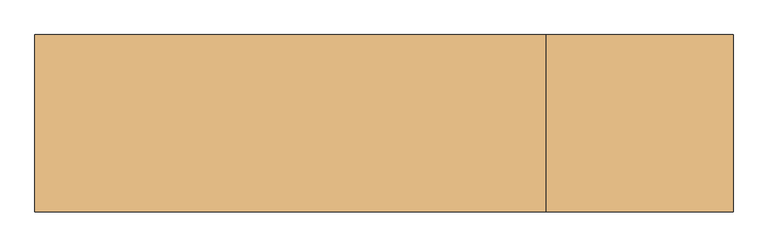
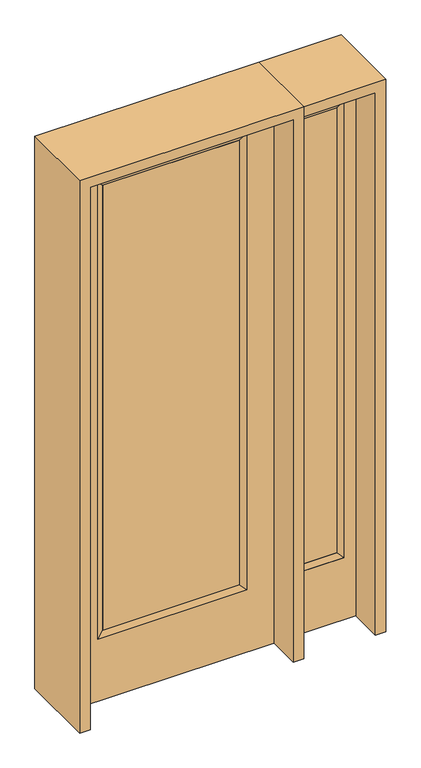
"""IFC4 building model written with IfcOpenShell, lengths in millimetres: door geometry."""

from ifc_helpers import new_model, si_unit, frame, origin, place, context, project, spatial, polyline, outline, extrude, faceted_brep, source, transform, mapped, element, save


def door_96ca0c03(model_context):
    return source(origin(), model_context, "Body", "SolidModel", [
        extrude(outline(polyline([(290.9824, -12.7039749), (-290.9824, -12.7039749), (-290.9824, 14.2875), (290.9824, 14.2875), (290.9824, -12.7039749)])), frame((0.0, 0.0, 304.8), z_axis=(0.0, 0.0, 1.0), x_axis=(1.0, 0.0, 0.0)), (0.0, 0.0, 1.0), 2000.25),
        faceted_brep([(290.9824, 14.2875, 2305.05), (316.3824, 22.225, 2330.45), (316.3824, 22.225, 279.4), (290.9824, 14.2875, 304.8), (316.3824, -22.225, 2330.45), (316.3824, -22.225, 279.4), (-316.3824, 22.225, 279.4), (-290.9824, 14.2875, 304.8), (290.9824, -12.7039749, 2305.05), (290.9824, -12.7039749, 304.8), (-290.9824, -12.7039749, 304.8), (-316.3824, -22.225, 279.4), (-316.3824, 22.225, 2330.45), (-290.9824, 14.2875, 2305.05), (-290.9824, -12.7039749, 2305.05), (-316.3824, -22.225, 2330.45)], [[[0, 1, 2, 3]], [[1, 4, 5, 2]], [[3, 2, 6, 7]], [[8, 0, 3, 9]], [[9, 3, 7, 10]], [[4, 8, 9, 5]], [[5, 9, 10, 11]], [[2, 5, 11, 6]], [[7, 6, 12, 13]], [[10, 7, 13, 14]], [[11, 10, 14, 15]], [[6, 11, 15, 12]], [[13, 12, 1, 0]], [[14, 13, 0, 8]], [[15, 14, 8, 4]], [[12, 15, 4, 1]]]),
        extrude(outline(polyline([(0.0, -431.8), (0.0, 431.8), (2438.4, 431.8), (2438.4, -431.8), (0.0, -431.8)]), holes=[polyline([(279.4, -316.3824), (2330.45, -316.3824), (2330.45, 316.3824), (279.4, 316.3824), (279.4, -316.3824)])]), frame((0.0, -22.225, 0.0), z_axis=(0.0, 1.0, 0.0), x_axis=(0.0, 0.0, 1.0)), (0.0, 0.0, 1.0), 44.45),
        faceted_brep([(527.05, 20.6375, 2330.45), (527.05, 20.6375, 279.4), (527.05, -20.6375, 279.4), (527.05, -20.6375, 2330.45), (552.45, -12.7, 304.8), (552.45, -12.7, 2305.05), (730.25, 20.6375, 279.4), (730.25, -20.6375, 279.4), (552.45, 12.7, 2305.05), (552.45, 12.7, 304.8), (704.85, 12.7, 304.8), (704.85, -12.7, 304.8), (730.25, 20.6375, 2330.45), (730.25, -20.6375, 2330.45), (704.85, 12.7, 2305.05), (704.85, -12.7, 2305.05)], [[[0, 1, 2, 3]], [[3, 2, 4, 5]], [[1, 6, 7, 2]], [[8, 9, 1, 0]], [[9, 10, 6, 1]], [[5, 4, 9, 8]], [[4, 11, 10, 9]], [[2, 7, 11, 4]], [[6, 12, 13, 7]], [[10, 14, 12, 6]], [[11, 15, 14, 10]], [[7, 13, 15, 11]], [[12, 0, 3, 13]], [[14, 8, 0, 12]], [[15, 5, 8, 14]], [[13, 3, 5, 15]]]),
        extrude(outline(polyline([(0.0, 781.05), (2438.4, 781.05), (2438.4, 476.25), (0.0, 476.25), (0.0, 781.05)]), holes=[polyline([(2330.45, 527.05), (2330.45, 730.25), (279.4, 730.25), (279.4, 527.05), (2330.45, 527.05)])]), frame((0.0, -20.6375, 0.0), z_axis=(0.0, 1.0, 0.0), x_axis=(0.0, 0.0, 1.0)), (0.0, 0.0, 1.0), 41.275),
        extrude(outline(polyline([(552.45, -12.7), (552.45, 12.7), (704.85, 12.7), (704.85, -12.7), (552.45, -12.7)])), frame((0.0, 0.0, 301.625), z_axis=(0.0, 0.0, 1.0), x_axis=(1.0, 0.0, 0.0)), (0.0, 0.0, 1.0), 2003.425),
        extrude(outline(polyline([(2482.85, -476.25), (0.0, -476.25), (0.0, -431.8), (2438.4, -431.8), (2438.4, 431.8), (0.0, 431.8), (0.0, 476.25), (2482.85, 476.25), (2482.85, -476.25)])), frame((0.0, -165.1, 0.0), z_axis=(0.0, 1.0, 0.0), x_axis=(0.0, 0.0, 1.0)), (0.0, 0.0, 1.0), 330.2),
        extrude(outline(polyline([(0.0, 781.05), (0.0, 825.5), (2482.85, 825.5), (2482.85, 476.25), (2438.4, 476.25), (2438.4, 781.05), (0.0, 781.05)])), frame((0.0, -165.1, 0.0), z_axis=(0.0, 1.0, 0.0), x_axis=(0.0, 0.0, 1.0)), (0.0, 0.0, 1.0), 330.2),
    ])


if __name__ == "__main__":
    model = new_model("IFC4")
    model_context = context("Model", 3, world=origin())
    ifc_project = project(units=[si_unit("LENGTHUNIT", "METRE", prefix="MILLI")], contexts=[model_context])
    site = spatial("IfcSite", under=ifc_project)
    building = spatial("IfcBuilding", under=site)
    placement = place(None, origin())
    door_shape = door_96ca0c03(model_context)
    element("IfcDoor", 1, at=placement, inside=building, context=model_context, shape_type="MappedRepresentation", body=[
        mapped(door_shape, transform((0.0, 0.0, 0.0), x_axis=(1.0, 0.0, 0.0), y_axis=(0.0, 1.0, 0.0), z_axis=(0.0, 0.0, 1.0))),
    ])
    save(model, "model.ifc")
